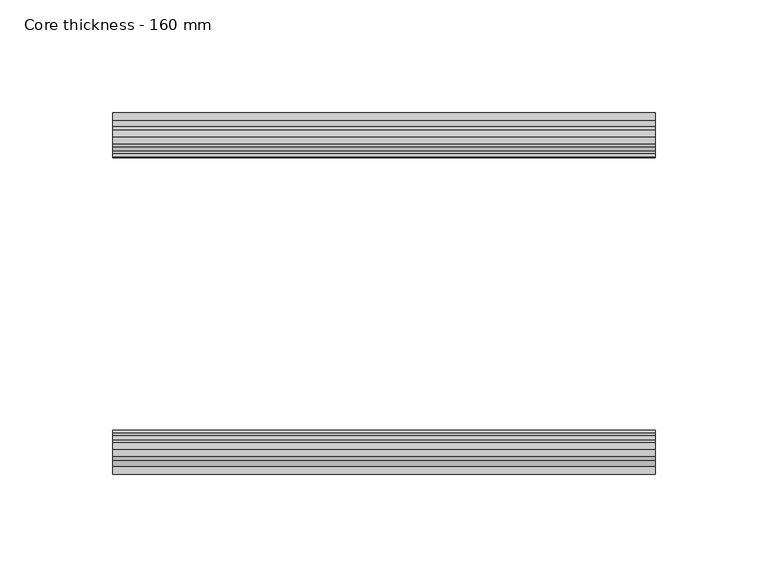
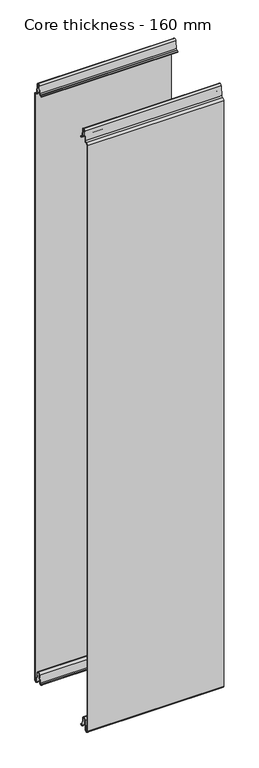
"""IFC4 building model written with IfcOpenShell, lengths in millimetres: plate geometry, Core thickness - 160 mm."""

from ifc_helpers import new_model, si_unit, frame, origin, place, context, project, spatial, polyline, circle_curve, source, transform, mapped, element, save
from ifc_brep_helpers import plane_surface, cylinder_surface, revolved_surface, advanced_brep


def core_thickness_160_mm_8b4d7016(model_context):
    return source(origin(), model_context, "Body", "AdvancedBrep", [
        advanced_brep(
        [(119.9999998, -159.1996949, 1093.8000005), (119.9999998, -156.6339815, 1096.1942726), (119.9999998, -153.1209335, 1099.1779769), (119.9999998, -151.4584333, 1116.1334653), (119.9999998, -149.1776715, 1118.1999998), (119.9999998, -146.8969097, 1116.1334653), (119.9999998, -145.5642071, 1102.5415123), (119.9999998, -142.9766159, 1100.1952279), (119.9999998, -141.8996949, 1100.1952279), (119.9999998, -141.2996949, 1099.5952279), (119.9999998, -141.2996949, 1098.4952279), (119.9999998, -140.4996949, 1098.4952279), (119.9999998, -140.4996949, 1099.5952279), (119.9999998, -141.8996949, 1100.9952279), (119.9999998, -142.9766159, 1100.9952279), (119.9999998, -144.7680252, 1102.6195786), (119.9999998, -146.1007278, 1116.2115316), (119.9999998, -149.1776715, 1119.0), (119.9999998, -152.2546153, 1116.2115316), (119.9999998, -153.9171154, 1099.2560432), (119.9999998, -156.5778021, 1097.005967), (119.9999998, -159.9996949, 1093.8000005), (119.9999998, -159.9996949, 2.9900682), (119.9999998, -153.81449, 2.6875612), (119.9999998, -152.197116, 19.1828169), (119.9999998, -149.1776715, 21.8898782), (119.9999998, -146.1582271, 19.1828169), (119.9999998, -144.7725998, 5.0510966), (119.9999998, -140.3830995, 5.265779), (119.9999998, -141.1830995, 5.265779), (119.9999998, -143.9764178, 5.1291629), (119.9999998, -145.3620451, 19.2608832), (119.9999998, -149.1776715, 22.6899182), (119.9999998, -152.9932979, 19.2608832), (119.9999998, -154.6106719, 2.7656275), (119.9999998, -159.1996949, 2.9900682), (-119.9999998, -159.2, 1093.8000005), (-119.9999998, -159.2, 2.9900682), (-119.9999998, -154.6106719, 2.7656275), (-119.9999998, -152.9932979, 19.2608832), (-119.9999998, -149.1776715, 22.6899182), (-119.9999998, -145.3620451, 19.2608832), (-119.9999998, -143.9764178, 5.1291629), (-119.9999998, -141.1830995, 5.265779), (-119.9999998, -140.3830995, 5.265779), (-119.9999998, -144.7725998, 5.0510966), (-119.9999998, -146.1582271, 19.1828169), (-119.9999998, -149.1776715, 21.8898782), (-119.9999998, -152.197116, 19.1828169), (-119.9999998, -153.81449, 2.6875612), (-119.9999998, -159.9996949, 2.9900682), (-119.9999998, -159.9996949, 1093.8000005), (-119.9999998, -156.5787437, 1096.9923633), (-119.9999998, -153.9171154, 1099.2560432), (-119.9999998, -152.2546153, 1116.2115316), (-119.9999998, -149.1776715, 1119.0), (-119.9999998, -146.1007278, 1116.2115316), (-119.9999998, -144.7680252, 1102.6195786), (-119.9999998, -142.9766159, 1100.9952279), (-119.9999998, -141.8996949, 1100.9952279), (-119.9999998, -140.4996949, 1099.5952279), (-119.9999998, -140.4996949, 1098.4952279), (-119.9999998, -141.2996949, 1098.4952279), (-119.9999998, -141.2996949, 1099.5952279), (-119.9999998, -141.8996949, 1100.1952279), (-119.9999998, -142.9766159, 1100.1952279), (-119.9999998, -145.5642071, 1102.5415123), (-119.9999998, -146.8969097, 1116.1334653), (-119.9999998, -149.1776715, 1118.1999998), (-119.9999998, -151.4584333, 1116.1334653), (-119.9999998, -153.1209335, 1099.1779769), (-119.9999998, -156.6330399, 1096.2078763)],
        [
            (0, 1, circle_curve(frame((119.9999998, -156.7996949, 1093.8000005), z_axis=(-1.0, 0.0, 0.0), x_axis=(0.0, 0.0, -1.0)), 2.4)),
            (1, 2, circle_curve(frame((119.9999998, -156.4051839, 1099.5000005), z_axis=(1.0, 0.0, 0.0), x_axis=(0.0, 0.0, -1.0)), 3.3)),
            (2, 3),
            (3, 4, circle_curve(frame((119.9999998, -149.1793626, 1115.9100005), z_axis=(-1.0, 0.0, 0.0), x_axis=(0.0, 0.0, -1.0)), 2.29)),
            (4, 5, circle_curve(frame((119.9999998, -149.1759805, 1115.9100005), z_axis=(-1.0, 0.0, 0.0), x_axis=(0.0, 0.0, -1.0)), 2.29)),
            (5, 6),
            (6, 7, circle_curve(frame((119.9999998, -142.9766159, 1102.7952279), z_axis=(1.0, 0.0, 0.0), x_axis=(0.0, 0.0, -1.0)), 2.6)),
            (7, 8),
            (8, 9, circle_curve(frame((119.9999998, -141.8996949, 1099.5952279), z_axis=(-1.0, 0.0, 0.0), x_axis=(0.0, 0.0, -1.0)), 0.6)),
            (9, 10),
            (10, 11),
            (11, 12),
            (12, 13, circle_curve(frame((119.9999998, -141.8996949, 1099.5952279), z_axis=(1.0, 0.0, 0.0), x_axis=(0.0, 0.0, -1.0)), 1.4)),
            (13, 14),
            (14, 15, circle_curve(frame((119.9999998, -142.9766159, 1102.7952279), z_axis=(-1.0, 0.0, 0.0), x_axis=(0.0, 0.0, -1.0)), 1.8)),
            (15, 16),
            (16, 17, circle_curve(frame((119.9999998, -149.1759805, 1115.9100005), z_axis=(1.0, 0.0, 0.0), x_axis=(0.0, 0.0, -1.0)), 3.09)),
            (17, 18, circle_curve(frame((119.9999998, -149.1793626, 1115.9100005), z_axis=(1.0, 0.0, 0.0), x_axis=(0.0, 0.0, -1.0)), 3.09)),
            (18, 19),
            (19, 20, circle_curve(frame((119.9999998, -156.4051839, 1099.5000005), z_axis=(-1.0, 0.0, 0.0), x_axis=(0.0, 0.0, -1.0)), 2.5)),
            (20, 21, circle_curve(frame((119.9999998, -156.7996949, 1093.8000005), z_axis=(1.0, 0.0, 0.0), x_axis=(0.0, 0.0, -1.0)), 3.2)),
            (21, 22),
            (22, 23, circle_curve(frame((119.9999998, -156.8996949, 2.9900682), z_axis=(1.0, 0.0, 0.0), x_axis=(0.0, 0.0, -1.0)), 3.1)),
            (23, 24),
            (24, 25, circle_curve(frame((119.9999998, -149.2114338, 18.8900682), z_axis=(-1.0, 0.0, 0.0), x_axis=(0.0, 0.0, -1.0)), 3.0)),
            (25, 26, circle_curve(frame((119.9999998, -149.1439093, 18.8900682), z_axis=(-1.0, 0.0, 0.0), x_axis=(0.0, 0.0, -1.0)), 3.0)),
            (26, 27),
            (27, 28, circle_curve(frame((119.9999998, -142.5830995, 5.265779), z_axis=(1.0, 0.0, 0.0), x_axis=(0.0, 0.0, -1.0)), 2.2)),
            (28, 29),
            (29, 30, circle_curve(frame((119.9999998, -142.5830995, 5.265779), z_axis=(-1.0, 0.0, 0.0), x_axis=(0.0, 0.0, -1.0)), 1.4)),
            (30, 31),
            (31, 32, circle_curve(frame((119.9999998, -149.1439093, 18.8900682), z_axis=(1.0, 0.0, 0.0), x_axis=(0.0, 0.0, -1.0)), 3.8)),
            (32, 33, circle_curve(frame((119.9999998, -149.2114338, 18.8900682), z_axis=(1.0, 0.0, 0.0), x_axis=(0.0, 0.0, -1.0)), 3.8)),
            (33, 34),
            (34, 35, circle_curve(frame((119.9999998, -156.8996949, 2.9900682), z_axis=(-1.0, 0.0, 0.0), x_axis=(0.0, 0.0, -1.0)), 2.3)),
            (35, 0),
            (36, 37),
            (37, 38, circle_curve(frame((-119.9999998, -156.8996949, 2.9900682), z_axis=(1.0, 0.0, 0.0), x_axis=(0.0, 0.0, -1.0)), 2.3)),
            (38, 39),
            (39, 40, circle_curve(frame((-119.9999998, -149.2114338, 18.8900682), z_axis=(-1.0, 0.0, 0.0), x_axis=(0.0, 0.0, -1.0)), 3.8)),
            (40, 41, circle_curve(frame((-119.9999998, -149.1439093, 18.8900682), z_axis=(-1.0, 0.0, 0.0), x_axis=(0.0, 0.0, -1.0)), 3.8)),
            (41, 42),
            (42, 43, circle_curve(frame((-119.9999998, -142.5830995, 5.265779), z_axis=(1.0, 0.0, 0.0), x_axis=(0.0, 0.0, -1.0)), 1.4)),
            (43, 44),
            (44, 45, circle_curve(frame((-119.9999998, -142.5830995, 5.265779), z_axis=(-1.0, 0.0, 0.0), x_axis=(0.0, 0.0, -1.0)), 2.2)),
            (45, 46),
            (46, 47, circle_curve(frame((-119.9999998, -149.1439093, 18.8900682), z_axis=(1.0, 0.0, 0.0), x_axis=(0.0, 0.0, -1.0)), 3.0)),
            (47, 48, circle_curve(frame((-119.9999998, -149.2114338, 18.8900682), z_axis=(1.0, 0.0, 0.0), x_axis=(0.0, 0.0, -1.0)), 3.0)),
            (48, 49),
            (49, 50, circle_curve(frame((-119.9999998, -156.8996949, 2.9900682), z_axis=(-1.0, 0.0, 0.0), x_axis=(0.0, 0.0, -1.0)), 3.1)),
            (50, 51),
            (51, 52, circle_curve(frame((-119.9999998, -156.7996949, 1093.8000005), z_axis=(-1.0, 0.0, 0.0), x_axis=(0.0, 0.0, -1.0)), 3.2)),
            (52, 53, circle_curve(frame((-119.9999998, -156.4051839, 1099.5000005), z_axis=(1.0, 0.0, 0.0), x_axis=(0.0, 0.0, -1.0)), 2.5)),
            (53, 54),
            (54, 55, circle_curve(frame((-119.9999998, -149.1793626, 1115.9100005), z_axis=(-1.0, 0.0, 0.0), x_axis=(0.0, 0.0, -1.0)), 3.09)),
            (55, 56, circle_curve(frame((-119.9999998, -149.1759805, 1115.9100005), z_axis=(-1.0, 0.0, 0.0), x_axis=(0.0, 0.0, -1.0)), 3.09)),
            (56, 57),
            (57, 58, circle_curve(frame((-119.9999998, -142.9766159, 1102.7952279), z_axis=(1.0, 0.0, 0.0), x_axis=(0.0, 0.0, -1.0)), 1.8)),
            (58, 59),
            (59, 60, circle_curve(frame((-119.9999998, -141.8996949, 1099.5952279), z_axis=(-1.0, 0.0, 0.0), x_axis=(0.0, 0.0, -1.0)), 1.4)),
            (60, 61),
            (61, 62),
            (62, 63),
            (63, 64, circle_curve(frame((-119.9999998, -141.8996949, 1099.5952279), z_axis=(1.0, 0.0, 0.0), x_axis=(0.0, 0.0, -1.0)), 0.6)),
            (64, 65),
            (65, 66, circle_curve(frame((-119.9999998, -142.9766159, 1102.7952279), z_axis=(-1.0, 0.0, 0.0), x_axis=(0.0, 0.0, -1.0)), 2.6)),
            (66, 67),
            (67, 68, circle_curve(frame((-119.9999998, -149.1759805, 1115.9100005), z_axis=(1.0, 0.0, 0.0), x_axis=(0.0, 0.0, -1.0)), 2.29)),
            (68, 69, circle_curve(frame((-119.9999998, -149.1793626, 1115.9100005), z_axis=(1.0, 0.0, 0.0), x_axis=(0.0, 0.0, -1.0)), 2.29)),
            (69, 70),
            (70, 71, circle_curve(frame((-119.9999998, -156.4051839, 1099.5000005), z_axis=(-1.0, 0.0, 0.0), x_axis=(0.0, 0.0, -1.0)), 3.3)),
            (71, 36, circle_curve(frame((-119.9999998, -156.7996949, 1093.8000005), z_axis=(1.0, 0.0, 0.0), x_axis=(0.0, 0.0, -1.0)), 2.4)),
            (35, 37),
            (36, 0),
            (21, 51),
            (50, 22),
            (20, 52),
            (19, 53),
            (18, 54),
            (17, 55),
            (16, 56),
            (15, 57),
            (14, 58),
            (13, 59),
            (12, 60),
            (11, 61),
            (10, 62),
            (9, 63),
            (8, 64),
            (7, 65),
            (6, 66),
            (5, 67),
            (4, 68),
            (3, 69),
            (2, 70),
            (1, 71),
            (34, 38),
            (33, 39),
            (32, 40),
            (31, 41),
            (30, 42),
            (29, 43),
            (28, 44),
            (27, 45),
            (26, 46),
            (25, 47),
            (24, 48),
            (23, 49),
        ],
        [
            plane_surface(frame((119.9999998, -160.0, 0.0), z_axis=(1.0, 0.0, 0.0), x_axis=(0.0, 1.0, 0.0))),
            plane_surface(frame((-119.9999998, -160.0, 0.0), z_axis=(-1.0, 0.0, 0.0), x_axis=(0.0, 1.0, 0.0))),
            plane_surface(frame((119.9999998, -159.2, 2.9900682), z_axis=(0.0, 1.0, 0.0), x_axis=(-1.0, 0.0, 0.0))),
            plane_surface(frame((119.9999998, -159.9996949, 1093.8000005), z_axis=(0.0, -1.0, 0.0), x_axis=(-1.0, 0.0, 0.0))),
            cylinder_surface(frame((119.9999998, -156.7996949, 1093.8000005), z_axis=(1.0, 0.0, 0.0), x_axis=(0.0, 0.0, -1.0)), 3.2),
            revolved_surface(polyline([(-119.9999998, -156.4051839, 1097.0000005), (119.9999998, -156.4051839, 1097.0000005)]), (119.9999998, -156.4051839, 1099.5000005), (-1.0, 0.0, 0.0)),
            plane_surface(frame((119.9999998, -152.2546153, 1116.2115316), z_axis=(0.0, -0.9952273999818317, 0.0975828997591444), x_axis=(-1.0, 0.0, 0.0))),
            cylinder_surface(frame((119.9999998, -149.1793626, 1115.9100005), z_axis=(1.0, 0.0, 0.0), x_axis=(0.0, 0.0, -1.0)), 3.09),
            cylinder_surface(frame((119.9999998, -149.1759805, 1115.9100005), z_axis=(1.0, 0.0, 0.0), x_axis=(0.0, 0.0, -1.0)), 3.09),
            plane_surface(frame((119.9999998, -144.7680252, 1102.6195786), z_axis=(0.0, 0.9952273999818314, 0.0975828997591471), x_axis=(-1.0, 0.0, 0.0))),
            revolved_surface(polyline([(-119.9999998, -142.9766159, 1100.9952279000001), (119.9999998, -142.9766159, 1100.9952279000001)]), (119.9999998, -142.9766159, 1102.7952279), (-1.0, 0.0, 0.0)),
            plane_surface(frame((119.9999998, -141.8996949, 1100.9952279), z_axis=(0.0, 0.0, 1.0), x_axis=(-1.0, 0.0, 0.0))),
            cylinder_surface(frame((119.9999998, -141.8996949, 1099.5952279), z_axis=(1.0, 0.0, 0.0), x_axis=(0.0, 0.0, -1.0)), 1.4),
            plane_surface(frame((119.9999998, -140.4996949, 1098.4952279), z_axis=(0.0, 1.0, 0.0), x_axis=(-1.0, 0.0, 0.0))),
            plane_surface(frame((119.9999998, -141.2996949, 1098.4952279), z_axis=(0.0, 0.0, -1.0), x_axis=(-1.0, 0.0, 0.0))),
            plane_surface(frame((119.9999998, -141.2996949, 1099.5952279), z_axis=(0.0, -1.0, 0.0), x_axis=(-1.0, 0.0, 0.0))),
            revolved_surface(polyline([(-119.9999998, -141.8996949, 1098.9952279000001), (119.9999998, -141.8996949, 1098.9952279000001)]), (119.9999998, -141.8996949, 1099.5952279), (-1.0, 0.0, 0.0)),
            plane_surface(frame((119.9999998, -142.9766159, 1100.1952279), z_axis=(0.0, 0.0, -1.0), x_axis=(-1.0, 0.0, 0.0))),
            cylinder_surface(frame((119.9999998, -142.9766159, 1102.7952279), z_axis=(1.0, 0.0, 0.0), x_axis=(0.0, 0.0, -1.0)), 2.6),
            plane_surface(frame((119.9999998, -146.8969097, 1116.1334653), z_axis=(0.0, -0.9952273999818314, -0.09758289975914705), x_axis=(-1.0, 0.0, 0.0))),
            revolved_surface(polyline([(-119.9999998, -149.1759805, 1113.6200005), (119.9999998, -149.1759805, 1113.6200005)]), (119.9999998, -149.1759805, 1115.9100005), (-1.0, 0.0, 0.0)),
            revolved_surface(polyline([(-119.9999998, -149.1793626, 1113.6200005), (119.9999998, -149.1793626, 1113.6200005)]), (119.9999998, -149.1793626, 1115.9100005), (-1.0, 0.0, 0.0)),
            plane_surface(frame((119.9999998, -153.1209335, 1099.1779769), z_axis=(0.0, 0.9952273999818317, -0.09758289975914436), x_axis=(-1.0, 0.0, 0.0))),
            cylinder_surface(frame((119.9999998, -156.4051839, 1099.5000005), z_axis=(1.0, 0.0, 0.0), x_axis=(0.0, 0.0, -1.0)), 3.3),
            revolved_surface(polyline([(-119.9999998, -156.7996949, 1091.4000004999998), (119.9999998, -156.7996949, 1091.4000004999998)]), (119.9999998, -156.7996949, 1093.8000005), (-1.0, 0.0, 0.0)),
            revolved_surface(polyline([(-119.9999998, -156.8996949, 0.6900682000000002), (119.9999998, -156.8996949, 0.6900682000000002)]), (119.9999998, -156.8996949, 2.9900682), (-1.0, 0.0, 0.0)),
            plane_surface(frame((119.9999998, -152.9932979, 19.2608832), z_axis=(0.0, -0.9952273999818314, 0.09758289975914787), x_axis=(-1.0, 0.0, 0.0))),
            cylinder_surface(frame((119.9999998, -149.2114338, 18.8900682), z_axis=(1.0, 0.0, 0.0), x_axis=(0.0, 0.0, -1.0)), 3.8),
            cylinder_surface(frame((119.9999998, -149.1439093, 18.8900682), z_axis=(1.0, 0.0, 0.0), x_axis=(0.0, 0.0, -1.0)), 3.8),
            plane_surface(frame((119.9999998, -143.9764178, 5.1291629), z_axis=(0.0, 0.9952273999818297, 0.09758289975916531), x_axis=(-1.0, 0.0, 0.0))),
            revolved_surface(polyline([(-119.9999998, -142.5830995, 3.8657790000000003), (119.9999998, -142.5830995, 3.8657790000000003)]), (119.9999998, -142.5830995, 5.265779), (-1.0, 0.0, 0.0)),
            plane_surface(frame((119.9999998, -140.3830995, 5.265779), z_axis=(0.0, 0.0, 1.0), x_axis=(-1.0, 0.0, 0.0))),
            cylinder_surface(frame((119.9999998, -142.5830995, 5.265779), z_axis=(1.0, 0.0, 0.0), x_axis=(0.0, 0.0, -1.0)), 2.2),
            plane_surface(frame((119.9999998, -146.1582271, 19.1828169), z_axis=(0.0, -0.9952273999818296, -0.09758289975916527), x_axis=(-1.0, 0.0, 0.0))),
            revolved_surface(polyline([(-119.9999998, -149.1439093, 15.890068200000002), (119.9999998, -149.1439093, 15.890068200000002)]), (119.9999998, -149.1439093, 18.8900682), (-1.0, 0.0, 0.0)),
            revolved_surface(polyline([(-119.9999998, -149.2114338, 15.890068200000002), (119.9999998, -149.2114338, 15.890068200000002)]), (119.9999998, -149.2114338, 18.8900682), (-1.0, 0.0, 0.0)),
            plane_surface(frame((119.9999998, -153.81449, 2.6875612), z_axis=(0.0, 0.9952273999818314, -0.09758289975914787), x_axis=(-1.0, 0.0, 0.0))),
            cylinder_surface(frame((119.9999998, -156.8996949, 2.9900682), z_axis=(1.0, 0.0, 0.0), x_axis=(0.0, 0.0, -1.0)), 3.1),
        ],
        [
            (0, [[1, 2, 3, 4, 5, 6, 7, 8, 9, 10, 11, 12, 13, 14, 15, 16, 17, 18, 19, 20, 21, 22, 23, 24, 25, 26, 27, 28, 29, 30, 31, 32, 33, 34, 35, 36]]),
            (1, [[37, 38, 39, 40, 41, 42, 43, 44, 45, 46, 47, 48, 49, 50, 51, 52, 53, 54, 55, 56, 57, 58, 59, 60, 61, 62, 63, 64, 65, 66, 67, 68, 69, 70, 71, 72]]),
            (2, [[-36, 73, -37, 74]]),
            (3, [[-22, 75, -51, 76]]),
            (4, [[-21, 77, -52, -75]]),
            (5, [[-20, 78, -53, -77]]),
            (6, [[-19, 79, -54, -78]]),
            (7, [[-18, 80, -55, -79]]),
            (8, [[-17, 81, -56, -80]]),
            (9, [[-16, 82, -57, -81]]),
            (10, [[-15, 83, -58, -82]]),
            (11, [[-14, 84, -59, -83]]),
            (12, [[-13, 85, -60, -84]]),
            (13, [[-12, 86, -61, -85]]),
            (14, [[-11, 87, -62, -86]]),
            (15, [[-10, 88, -63, -87]]),
            (16, [[-9, 89, -64, -88]]),
            (17, [[-8, 90, -65, -89]]),
            (18, [[-7, 91, -66, -90]]),
            (19, [[-6, 92, -67, -91]]),
            (20, [[-5, 93, -68, -92]]),
            (21, [[-4, 94, -69, -93]]),
            (22, [[-3, 95, -70, -94]]),
            (23, [[-2, 96, -71, -95]]),
            (24, [[-1, -74, -72, -96]]),
            (25, [[-35, 97, -38, -73]]),
            (26, [[-34, 98, -39, -97]]),
            (27, [[-33, 99, -40, -98]]),
            (28, [[-32, 100, -41, -99]]),
            (29, [[-31, 101, -42, -100]]),
            (30, [[-30, 102, -43, -101]]),
            (31, [[-29, 103, -44, -102]]),
            (32, [[-28, 104, -45, -103]]),
            (33, [[-27, 105, -46, -104]]),
            (34, [[-26, 106, -47, -105]]),
            (35, [[-25, 107, -48, -106]]),
            (36, [[-24, 108, -49, -107]]),
            (37, [[-23, -76, -50, -108]]),
        ],
    ),
        advanced_brep(
        [(119.9999998, -0.8, 1093.8000005), (119.9999998, -0.8, 2.9900682), (119.9999998, -5.3893281, 2.7656275), (119.9999998, -7.0067021, 19.2608832), (119.9999998, -10.8223285, 22.6899182), (119.9999998, -14.6379549, 19.2608832), (119.9999998, -16.0235822, 5.1291629), (119.9999998, -18.8169005, 5.265779), (119.9999998, -19.6169005, 5.265779), (119.9999998, -15.2274002, 5.0510966), (119.9999998, -13.8417729, 19.1828169), (119.9999998, -10.8223285, 21.8898782), (119.9999998, -7.802884, 19.1828169), (119.9999998, -6.18551, 2.6875612), (119.9999998, -0.0003051, 2.9900682), (119.9999998, -0.0003051, 1093.8000005), (119.9999998, -3.4212563, 1096.9923633), (119.9999998, -6.0828846, 1099.2560432), (119.9999998, -7.7453847, 1116.2115316), (119.9999998, -10.8223285, 1119.0), (119.9999998, -13.8992722, 1116.2115316), (119.9999998, -15.2319748, 1102.6195786), (119.9999998, -17.0233841, 1100.9952279), (119.9999998, -18.1003051, 1100.9952279), (119.9999998, -19.5003051, 1099.5952279), (119.9999998, -19.5003051, 1098.4952279), (119.9999998, -18.7003051, 1098.4952279), (119.9999998, -18.7003051, 1099.5952279), (119.9999998, -18.1003051, 1100.1952279), (119.9999998, -17.0233841, 1100.1952279), (119.9999998, -14.4357929, 1102.5415123), (119.9999998, -13.1030903, 1116.1334653), (119.9999998, -10.8223285, 1118.1999998), (119.9999998, -8.5415667, 1116.1334653), (119.9999998, -6.8790665, 1099.1779769), (119.9999998, -3.3669601, 1096.2078763), (-119.9999998, -0.8003051, 1093.8000005), (-119.9999998, -3.3660185, 1096.1942726), (-119.9999998, -6.8790665, 1099.1779769), (-119.9999998, -8.5415667, 1116.1334653), (-119.9999998, -10.8223285, 1118.1999998), (-119.9999998, -13.1030903, 1116.1334653), (-119.9999998, -14.4357929, 1102.5415123), (-119.9999998, -17.0233841, 1100.1952279), (-119.9999998, -18.1003051, 1100.1952279), (-119.9999998, -18.7003051, 1099.5952279), (-119.9999998, -18.7003051, 1098.4952279), (-119.9999998, -19.5003051, 1098.4952279), (-119.9999998, -19.5003051, 1099.5952279), (-119.9999998, -18.1003051, 1100.9952279), (-119.9999998, -17.0233841, 1100.9952279), (-119.9999998, -15.2319748, 1102.6195786), (-119.9999998, -13.8992722, 1116.2115316), (-119.9999998, -10.8223285, 1119.0), (-119.9999998, -7.7453847, 1116.2115316), (-119.9999998, -6.0828846, 1099.2560432), (-119.9999998, -3.4221979, 1097.005967), (-119.9999998, -0.0003051, 1093.8000005), (-119.9999998, -0.0003051, 2.9900682), (-119.9999998, -6.18551, 2.6875612), (-119.9999998, -7.802884, 19.1828169), (-119.9999998, -10.8223285, 21.8898782), (-119.9999998, -13.8417729, 19.1828169), (-119.9999998, -15.2274002, 5.0510966), (-119.9999998, -19.6169005, 5.265779), (-119.9999998, -18.8169005, 5.265779), (-119.9999998, -16.0235822, 5.1291629), (-119.9999998, -14.6379549, 19.2608832), (-119.9999998, -10.8223285, 22.6899182), (-119.9999998, -7.0067021, 19.2608832), (-119.9999998, -5.3893281, 2.7656275), (-119.9999998, -0.8003051, 2.9900682)],
        [
            (0, 1),
            (1, 2, circle_curve(frame((119.9999998, -3.1003051, 2.9900682), z_axis=(-1.0, 0.0, 0.0), x_axis=(0.0, 0.0, -1.0)), 2.3)),
            (2, 3),
            (3, 4, circle_curve(frame((119.9999998, -10.7885662, 18.8900682), z_axis=(1.0, 0.0, 0.0), x_axis=(0.0, 0.0, -1.0)), 3.8)),
            (4, 5, circle_curve(frame((119.9999998, -10.8560907, 18.8900682), z_axis=(1.0, 0.0, 0.0), x_axis=(0.0, 0.0, -1.0)), 3.8)),
            (5, 6),
            (6, 7, circle_curve(frame((119.9999998, -17.4169005, 5.265779), z_axis=(-1.0, 0.0, 0.0), x_axis=(0.0, 0.0, -1.0)), 1.4)),
            (7, 8),
            (8, 9, circle_curve(frame((119.9999998, -17.4169005, 5.265779), z_axis=(1.0, 0.0, 0.0), x_axis=(0.0, 0.0, -1.0)), 2.2)),
            (9, 10),
            (10, 11, circle_curve(frame((119.9999998, -10.8560907, 18.8900682), z_axis=(-1.0, 0.0, 0.0), x_axis=(0.0, 0.0, -1.0)), 3.0)),
            (11, 12, circle_curve(frame((119.9999998, -10.7885662, 18.8900682), z_axis=(-1.0, 0.0, 0.0), x_axis=(0.0, 0.0, -1.0)), 3.0)),
            (12, 13),
            (13, 14, circle_curve(frame((119.9999998, -3.1003051, 2.9900682), z_axis=(1.0, 0.0, 0.0), x_axis=(0.0, 0.0, -1.0)), 3.1)),
            (14, 15),
            (15, 16, circle_curve(frame((119.9999998, -3.2003051, 1093.8000005), z_axis=(1.0, 0.0, 0.0), x_axis=(0.0, 0.0, -1.0)), 3.2)),
            (16, 17, circle_curve(frame((119.9999998, -3.5948161, 1099.5000005), z_axis=(-1.0, 0.0, 0.0), x_axis=(0.0, 0.0, -1.0)), 2.5)),
            (17, 18),
            (18, 19, circle_curve(frame((119.9999998, -10.8206374, 1115.9100005), z_axis=(1.0, 0.0, 0.0), x_axis=(0.0, 0.0, -1.0)), 3.09)),
            (19, 20, circle_curve(frame((119.9999998, -10.8240195, 1115.9100005), z_axis=(1.0, 0.0, 0.0), x_axis=(0.0, 0.0, -1.0)), 3.09)),
            (20, 21),
            (21, 22, circle_curve(frame((119.9999998, -17.0233841, 1102.7952279), z_axis=(-1.0, 0.0, 0.0), x_axis=(0.0, 0.0, -1.0)), 1.8)),
            (22, 23),
            (23, 24, circle_curve(frame((119.9999998, -18.1003051, 1099.5952279), z_axis=(1.0, 0.0, 0.0), x_axis=(0.0, 0.0, -1.0)), 1.4)),
            (24, 25),
            (25, 26),
            (26, 27),
            (27, 28, circle_curve(frame((119.9999998, -18.1003051, 1099.5952279), z_axis=(-1.0, 0.0, 0.0), x_axis=(0.0, 0.0, -1.0)), 0.6)),
            (28, 29),
            (29, 30, circle_curve(frame((119.9999998, -17.0233841, 1102.7952279), z_axis=(1.0, 0.0, 0.0), x_axis=(0.0, 0.0, -1.0)), 2.6)),
            (30, 31),
            (31, 32, circle_curve(frame((119.9999998, -10.8240195, 1115.9100005), z_axis=(-1.0, 0.0, 0.0), x_axis=(0.0, 0.0, -1.0)), 2.29)),
            (32, 33, circle_curve(frame((119.9999998, -10.8206374, 1115.9100005), z_axis=(-1.0, 0.0, 0.0), x_axis=(0.0, 0.0, -1.0)), 2.29)),
            (33, 34),
            (34, 35, circle_curve(frame((119.9999998, -3.5948161, 1099.5000005), z_axis=(1.0, 0.0, 0.0), x_axis=(0.0, 0.0, -1.0)), 3.3)),
            (35, 0, circle_curve(frame((119.9999998, -3.2003051, 1093.8000005), z_axis=(-1.0, 0.0, 0.0), x_axis=(0.0, 0.0, -1.0)), 2.4)),
            (36, 37, circle_curve(frame((-119.9999998, -3.2003051, 1093.8000005), z_axis=(1.0, 0.0, 0.0), x_axis=(0.0, 0.0, -1.0)), 2.4)),
            (37, 38, circle_curve(frame((-119.9999998, -3.5948161, 1099.5000005), z_axis=(-1.0, 0.0, 0.0), x_axis=(0.0, 0.0, -1.0)), 3.3)),
            (38, 39),
            (39, 40, circle_curve(frame((-119.9999998, -10.8206374, 1115.9100005), z_axis=(1.0, 0.0, 0.0), x_axis=(0.0, 0.0, -1.0)), 2.29)),
            (40, 41, circle_curve(frame((-119.9999998, -10.8240195, 1115.9100005), z_axis=(1.0, 0.0, 0.0), x_axis=(0.0, 0.0, -1.0)), 2.29)),
            (41, 42),
            (42, 43, circle_curve(frame((-119.9999998, -17.0233841, 1102.7952279), z_axis=(-1.0, 0.0, 0.0), x_axis=(0.0, 0.0, -1.0)), 2.6)),
            (43, 44),
            (44, 45, circle_curve(frame((-119.9999998, -18.1003051, 1099.5952279), z_axis=(1.0, 0.0, 0.0), x_axis=(0.0, 0.0, -1.0)), 0.6)),
            (45, 46),
            (46, 47),
            (47, 48),
            (48, 49, circle_curve(frame((-119.9999998, -18.1003051, 1099.5952279), z_axis=(-1.0, 0.0, 0.0), x_axis=(0.0, 0.0, -1.0)), 1.4)),
            (49, 50),
            (50, 51, circle_curve(frame((-119.9999998, -17.0233841, 1102.7952279), z_axis=(1.0, 0.0, 0.0), x_axis=(0.0, 0.0, -1.0)), 1.8)),
            (51, 52),
            (52, 53, circle_curve(frame((-119.9999998, -10.8240195, 1115.9100005), z_axis=(-1.0, 0.0, 0.0), x_axis=(0.0, 0.0, -1.0)), 3.09)),
            (53, 54, circle_curve(frame((-119.9999998, -10.8206374, 1115.9100005), z_axis=(-1.0, 0.0, 0.0), x_axis=(0.0, 0.0, -1.0)), 3.09)),
            (54, 55),
            (55, 56, circle_curve(frame((-119.9999998, -3.5948161, 1099.5000005), z_axis=(1.0, 0.0, 0.0), x_axis=(0.0, 0.0, -1.0)), 2.5)),
            (56, 57, circle_curve(frame((-119.9999998, -3.2003051, 1093.8000005), z_axis=(-1.0, 0.0, 0.0), x_axis=(0.0, 0.0, -1.0)), 3.2)),
            (57, 58),
            (58, 59, circle_curve(frame((-119.9999998, -3.1003051, 2.9900682), z_axis=(-1.0, 0.0, 0.0), x_axis=(0.0, 0.0, -1.0)), 3.1)),
            (59, 60),
            (60, 61, circle_curve(frame((-119.9999998, -10.7885662, 18.8900682), z_axis=(1.0, 0.0, 0.0), x_axis=(0.0, 0.0, -1.0)), 3.0)),
            (61, 62, circle_curve(frame((-119.9999998, -10.8560907, 18.8900682), z_axis=(1.0, 0.0, 0.0), x_axis=(0.0, 0.0, -1.0)), 3.0)),
            (62, 63),
            (63, 64, circle_curve(frame((-119.9999998, -17.4169005, 5.265779), z_axis=(-1.0, 0.0, 0.0), x_axis=(0.0, 0.0, -1.0)), 2.2)),
            (64, 65),
            (65, 66, circle_curve(frame((-119.9999998, -17.4169005, 5.265779), z_axis=(1.0, 0.0, 0.0), x_axis=(0.0, 0.0, -1.0)), 1.4)),
            (66, 67),
            (67, 68, circle_curve(frame((-119.9999998, -10.8560907, 18.8900682), z_axis=(-1.0, 0.0, 0.0), x_axis=(0.0, 0.0, -1.0)), 3.8)),
            (68, 69, circle_curve(frame((-119.9999998, -10.7885662, 18.8900682), z_axis=(-1.0, 0.0, 0.0), x_axis=(0.0, 0.0, -1.0)), 3.8)),
            (69, 70),
            (70, 71, circle_curve(frame((-119.9999998, -3.1003051, 2.9900682), z_axis=(1.0, 0.0, 0.0), x_axis=(0.0, 0.0, -1.0)), 2.3)),
            (71, 36),
            (35, 37),
            (36, 0),
            (34, 38),
            (33, 39),
            (32, 40),
            (31, 41),
            (30, 42),
            (29, 43),
            (28, 44),
            (27, 45),
            (26, 46),
            (25, 47),
            (24, 48),
            (23, 49),
            (22, 50),
            (21, 51),
            (20, 52),
            (19, 53),
            (18, 54),
            (17, 55),
            (16, 56),
            (15, 57),
            (14, 58),
            (71, 1),
            (13, 59),
            (12, 60),
            (11, 61),
            (10, 62),
            (9, 63),
            (8, 64),
            (7, 65),
            (6, 66),
            (5, 67),
            (4, 68),
            (3, 69),
            (2, 70),
        ],
        [
            plane_surface(frame((119.9999998, 0.0, 0.0), z_axis=(1.0, 0.0, 0.0), x_axis=(0.0, -1.0, 0.0))),
            plane_surface(frame((-119.9999998, 0.0, 0.0), z_axis=(-1.0, 0.0, 0.0), x_axis=(0.0, -1.0, 0.0))),
            revolved_surface(polyline([(-119.9999998, -3.2003051, 1091.4000004999998), (119.9999998, -3.2003051, 1091.4000004999998)]), (119.9999998, -3.2003051, 1093.8000005), (-1.0, 0.0, 0.0)),
            cylinder_surface(frame((119.9999998, -3.5948161, 1099.5000005), z_axis=(1.0, 0.0, 0.0), x_axis=(0.0, 0.0, -1.0)), 3.3),
            plane_surface(frame((119.9999998, -8.5415667, 1116.1334653), z_axis=(0.0, -0.9952273999818317, -0.09758289975914436), x_axis=(-1.0, 0.0, 0.0))),
            revolved_surface(polyline([(-119.9999998, -10.8206374, 1113.6200005), (119.9999998, -10.8206374, 1113.6200005)]), (119.9999998, -10.8206374, 1115.9100005), (-1.0, 0.0, 0.0)),
            revolved_surface(polyline([(-119.9999998, -10.8240195, 1113.6200005), (119.9999998, -10.8240195, 1113.6200005)]), (119.9999998, -10.8240195, 1115.9100005), (-1.0, 0.0, 0.0)),
            plane_surface(frame((119.9999998, -14.4357929, 1102.5415123), z_axis=(0.0, 0.9952273999818314, -0.09758289975914705), x_axis=(-1.0, 0.0, 0.0))),
            cylinder_surface(frame((119.9999998, -17.0233841, 1102.7952279), z_axis=(1.0, 0.0, 0.0), x_axis=(0.0, 0.0, -1.0)), 2.6),
            plane_surface(frame((119.9999998, -18.1003051, 1100.1952279), z_axis=(0.0, 0.0, -1.0), x_axis=(-1.0, 0.0, 0.0))),
            revolved_surface(polyline([(-119.9999998, -18.1003051, 1098.9952279000001), (119.9999998, -18.1003051, 1098.9952279000001)]), (119.9999998, -18.1003051, 1099.5952279), (-1.0, 0.0, 0.0)),
            plane_surface(frame((119.9999998, -18.7003051, 1098.4952279), z_axis=(0.0, 1.0, 0.0), x_axis=(-1.0, 0.0, 0.0))),
            plane_surface(frame((119.9999998, -19.5003051, 1098.4952279), z_axis=(0.0, 0.0, -1.0), x_axis=(-1.0, 0.0, 0.0))),
            plane_surface(frame((119.9999998, -19.5003051, 1099.5952279), z_axis=(0.0, -1.0, 0.0), x_axis=(-1.0, 0.0, 0.0))),
            cylinder_surface(frame((119.9999998, -18.1003051, 1099.5952279), z_axis=(1.0, 0.0, 0.0), x_axis=(0.0, 0.0, -1.0)), 1.4),
            plane_surface(frame((119.9999998, -17.0233841, 1100.9952279), z_axis=(0.0, 0.0, 1.0), x_axis=(-1.0, 0.0, 0.0))),
            revolved_surface(polyline([(-119.9999998, -17.0233841, 1100.9952279000001), (119.9999998, -17.0233841, 1100.9952279000001)]), (119.9999998, -17.0233841, 1102.7952279), (-1.0, 0.0, 0.0)),
            plane_surface(frame((119.9999998, -13.8992722, 1116.2115316), z_axis=(0.0, -0.9952273999818314, 0.0975828997591471), x_axis=(-1.0, 0.0, 0.0))),
            cylinder_surface(frame((119.9999998, -10.8240195, 1115.9100005), z_axis=(1.0, 0.0, 0.0), x_axis=(0.0, 0.0, -1.0)), 3.09),
            cylinder_surface(frame((119.9999998, -10.8206374, 1115.9100005), z_axis=(1.0, 0.0, 0.0), x_axis=(0.0, 0.0, -1.0)), 3.09),
            plane_surface(frame((119.9999998, -6.0828846, 1099.2560432), z_axis=(0.0, 0.9952273999818317, 0.0975828997591444), x_axis=(-1.0, 0.0, 0.0))),
            revolved_surface(polyline([(-119.9999998, -3.5948161, 1097.0000005), (119.9999998, -3.5948161, 1097.0000005)]), (119.9999998, -3.5948161, 1099.5000005), (-1.0, 0.0, 0.0)),
            cylinder_surface(frame((119.9999998, -3.2003051, 1093.8000005), z_axis=(1.0, 0.0, 0.0), x_axis=(0.0, 0.0, -1.0)), 3.2),
            plane_surface(frame((119.9999998, -0.0003051, 2.9900682), z_axis=(0.0, 1.0, 0.0), x_axis=(-1.0, 0.0, 0.0))),
            plane_surface(frame((119.9999998, -0.8, 1093.8000005), z_axis=(0.0, -1.0, 0.0), x_axis=(-1.0, 0.0, 0.0))),
            cylinder_surface(frame((119.9999998, -3.1003051, 2.9900682), z_axis=(1.0, 0.0, 0.0), x_axis=(0.0, 0.0, -1.0)), 3.1),
            plane_surface(frame((119.9999998, -7.802884, 19.1828169), z_axis=(0.0, -0.9952273999818314, -0.09758289975914787), x_axis=(-1.0, 0.0, 0.0))),
            revolved_surface(polyline([(-119.9999998, -10.7885662, 15.890068200000002), (119.9999998, -10.7885662, 15.890068200000002)]), (119.9999998, -10.7885662, 18.8900682), (-1.0, 0.0, 0.0)),
            revolved_surface(polyline([(-119.9999998, -10.8560907, 15.890068200000002), (119.9999998, -10.8560907, 15.890068200000002)]), (119.9999998, -10.8560907, 18.8900682), (-1.0, 0.0, 0.0)),
            plane_surface(frame((119.9999998, -15.2274002, 5.0510966), z_axis=(0.0, 0.9952273999818296, -0.09758289975916527), x_axis=(-1.0, 0.0, 0.0))),
            cylinder_surface(frame((119.9999998, -17.4169005, 5.265779), z_axis=(1.0, 0.0, 0.0), x_axis=(0.0, 0.0, -1.0)), 2.2),
            plane_surface(frame((119.9999998, -18.8169005, 5.265779), z_axis=(0.0, 0.0, 1.0), x_axis=(-1.0, 0.0, 0.0))),
            revolved_surface(polyline([(-119.9999998, -17.4169005, 3.8657790000000003), (119.9999998, -17.4169005, 3.8657790000000003)]), (119.9999998, -17.4169005, 5.265779), (-1.0, 0.0, 0.0)),
            plane_surface(frame((119.9999998, -14.6379549, 19.2608832), z_axis=(0.0, -0.9952273999818297, 0.09758289975916531), x_axis=(-1.0, 0.0, 0.0))),
            cylinder_surface(frame((119.9999998, -10.8560907, 18.8900682), z_axis=(1.0, 0.0, 0.0), x_axis=(0.0, 0.0, -1.0)), 3.8),
            cylinder_surface(frame((119.9999998, -10.7885662, 18.8900682), z_axis=(1.0, 0.0, 0.0), x_axis=(0.0, 0.0, -1.0)), 3.8),
            plane_surface(frame((119.9999998, -5.3893281, 2.7656275), z_axis=(0.0, 0.9952273999818314, 0.09758289975914787), x_axis=(-1.0, 0.0, 0.0))),
            revolved_surface(polyline([(-119.9999998, -3.1003051, 0.6900682000000002), (119.9999998, -3.1003051, 0.6900682000000002)]), (119.9999998, -3.1003051, 2.9900682), (-1.0, 0.0, 0.0)),
        ],
        [
            (0, [[1, 2, 3, 4, 5, 6, 7, 8, 9, 10, 11, 12, 13, 14, 15, 16, 17, 18, 19, 20, 21, 22, 23, 24, 25, 26, 27, 28, 29, 30, 31, 32, 33, 34, 35, 36]]),
            (1, [[37, 38, 39, 40, 41, 42, 43, 44, 45, 46, 47, 48, 49, 50, 51, 52, 53, 54, 55, 56, 57, 58, 59, 60, 61, 62, 63, 64, 65, 66, 67, 68, 69, 70, 71, 72]]),
            (2, [[-36, 73, -37, 74]]),
            (3, [[-35, 75, -38, -73]]),
            (4, [[-34, 76, -39, -75]]),
            (5, [[-33, 77, -40, -76]]),
            (6, [[-32, 78, -41, -77]]),
            (7, [[-31, 79, -42, -78]]),
            (8, [[-30, 80, -43, -79]]),
            (9, [[-29, 81, -44, -80]]),
            (10, [[-28, 82, -45, -81]]),
            (11, [[-27, 83, -46, -82]]),
            (12, [[-26, 84, -47, -83]]),
            (13, [[-25, 85, -48, -84]]),
            (14, [[-24, 86, -49, -85]]),
            (15, [[-23, 87, -50, -86]]),
            (16, [[-22, 88, -51, -87]]),
            (17, [[-21, 89, -52, -88]]),
            (18, [[-20, 90, -53, -89]]),
            (19, [[-19, 91, -54, -90]]),
            (20, [[-18, 92, -55, -91]]),
            (21, [[-17, 93, -56, -92]]),
            (22, [[-16, 94, -57, -93]]),
            (23, [[-15, 95, -58, -94]]),
            (24, [[-1, -74, -72, 96]]),
            (25, [[-14, 97, -59, -95]]),
            (26, [[-13, 98, -60, -97]]),
            (27, [[-12, 99, -61, -98]]),
            (28, [[-11, 100, -62, -99]]),
            (29, [[-10, 101, -63, -100]]),
            (30, [[-9, 102, -64, -101]]),
            (31, [[-8, 103, -65, -102]]),
            (32, [[-7, 104, -66, -103]]),
            (33, [[-6, 105, -67, -104]]),
            (34, [[-5, 106, -68, -105]]),
            (35, [[-4, 107, -69, -106]]),
            (36, [[-3, 108, -70, -107]]),
            (37, [[-2, -96, -71, -108]]),
        ],
    ),
    ])


if __name__ == "__main__":
    model = new_model("IFC4")
    model_context = context("Model", 3, world=origin())
    ifc_project = project(units=[si_unit("LENGTHUNIT", "METRE", prefix="MILLI")], contexts=[model_context])
    site = spatial("IfcSite", under=ifc_project)
    building = spatial("IfcBuilding", under=site)
    placement = place(None, origin())
    core_thickness_160_mm_shape = core_thickness_160_mm_8b4d7016(model_context)
    element("IfcPlate", 1, ObjectType="Core thickness - 160 mm", at=placement, inside=building, context=model_context, shape_type="MappedRepresentation", body=[
        mapped(core_thickness_160_mm_shape, transform((0.0, 0.0, 0.0), x_axis=(1.0, 0.0, 0.0), y_axis=(0.0, 1.0, 0.0), z_axis=(0.0, 0.0, 1.0))),
    ])
    save(model, "model.ifc")
